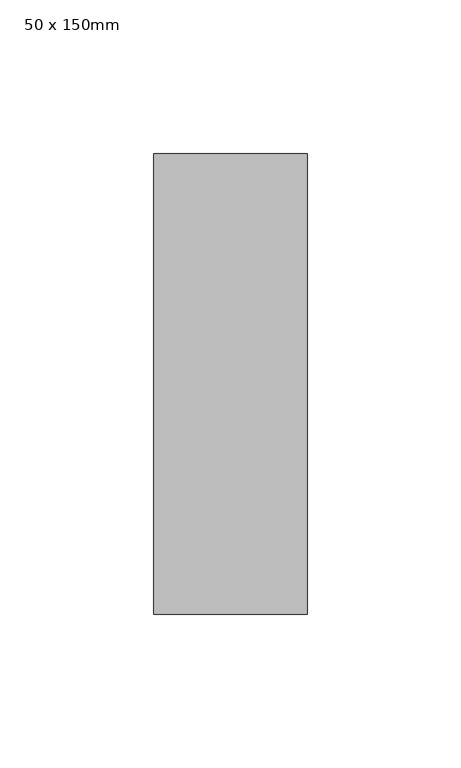
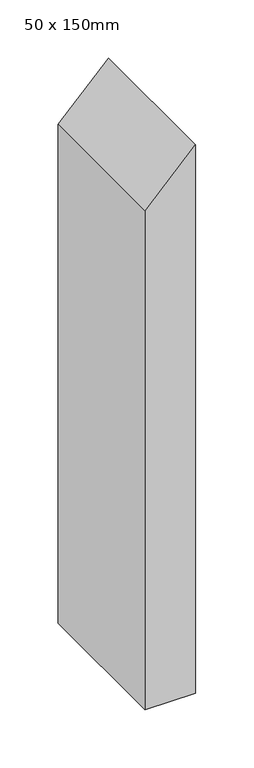
"""IFC4 building model written with IfcOpenShell, lengths in millimetres: member geometry, 50 x 150mm."""

import ifcopenshell
import ifcopenshell.guid

model = None  # the IFC model being written
_history = None  # IfcOwnerHistory: only IFC2X3 demands one
_inside = {}  # id of a spatial element -> (the spatial element, [elements in it])
_under = {}  # id of a project, library or spatial element -> (it, [spatial elements below it])
_declared = {}  # id of a project -> (the project, [libraries it declares])
_typed = {}  # id of a type object -> (the type object, [elements of that type])
_made_of = {}  # id of a material, layer set ... -> (it, [elements and type objects made of it])


def new_model(schema):
    """Start an empty IFC model of exactly this schema.

    Asked for "IFC4X3", IfcOpenShell would pick the latest addendum, in which some entities
    have other attributes; the version numbers below select the first issue.
    IFC2X3 requires an IfcOwnerHistory on every rooted entity: one is made here for all.
    """
    global model, _history
    if schema == "IFC4X3":
        model = ifcopenshell.file(schema_version=(4, 3, 0, 0))
    else:
        model = ifcopenshell.file(schema=schema)
    _inside.clear()
    _under.clear()
    _declared.clear()
    _typed.clear()
    _made_of.clear()
    _history = None
    if model.schema == "IFC2X3":
        org = make("IfcOrganization", Name="unknown")
        user = make(
            "IfcPersonAndOrganization",
            ThePerson=make("IfcPerson", FamilyName="unknown"),
            TheOrganization=org,
        )
        app = make(
            "IfcApplication",
            ApplicationDeveloper=org,
            Version="unknown",
            ApplicationFullName="unknown",
            ApplicationIdentifier="unknown",
        )
        _history = make(
            "IfcOwnerHistory",
            OwningUser=user,
            OwningApplication=app,
            ChangeAction="ADDED",
            CreationDate=0,
        )
    return model


def make(cls, **values):
    """One entity of the class cls with the attributes given. An attribute that is None is left unset."""
    return model.create_entity(
        cls, **{name: value for name, value in values.items() if value is not None}
    )


def rooted(cls, **values):
    """An entity with a GlobalId (a new one), such as an element, a storey or a relation."""
    return make(cls, GlobalId=ifcopenshell.guid.new(), OwnerHistory=_history, **values)


def si_unit(unit_type, name, prefix=None):
    """IfcSIUnit, for example si_unit("LENGTHUNIT", "METRE", prefix="MILLI")."""
    return make("IfcSIUnit", UnitType=unit_type, Prefix=prefix, Name=name)


def assignment(units):
    """IfcUnitAssignment: the units of a project."""
    return None if units is None else make("IfcUnitAssignment", Units=units)


def point(xyz):
    """IfcCartesianPoint."""
    return None if xyz is None else make("IfcCartesianPoint", Coordinates=xyz)


def direction(xyz):
    """IfcDirection."""
    return None if xyz is None else make("IfcDirection", DirectionRatios=xyz)


def frame(location, z_axis=None, x_axis=None):
    """IfcAxis2Placement3D, a coordinate frame: its origin and axes. An axis left out is left unset."""
    return make(
        "IfcAxis2Placement3D",
        Location=point(location),
        Axis=direction(z_axis),
        RefDirection=direction(x_axis),
    )


def origin():
    """The frame at (0, 0, 0) with its axes left unset."""
    return frame((0.0, 0.0, 0.0))


def place(relative_to, where):
    """IfcLocalPlacement: puts the frame where relative to a parent placement (None: the world)."""
    return make(
        "IfcLocalPlacement", PlacementRelTo=relative_to, RelativePlacement=where
    )


def context(
    kind, dimensions, precision=None, world=None, true_north=None, identifier=None
):
    """IfcGeometricRepresentationContext, for example the 3D "Model" context."""
    return make(
        "IfcGeometricRepresentationContext",
        ContextIdentifier=identifier,
        ContextType=kind,
        CoordinateSpaceDimension=dimensions,
        Precision=precision,
        WorldCoordinateSystem=world,
        TrueNorth=true_north,
    )


def project(units=None, contexts=None):
    """IfcProject with its units and contexts."""
    return rooted(
        "IfcProject",
        Name="project",
        RepresentationContexts=contexts,
        UnitsInContext=assignment(units),
    )


def spatial(cls, under=None, at=None, **own):
    """A site, building, storey or space (cls), placed at a placement, below another one or the project."""
    s = rooted(cls, ObjectPlacement=at, **own)
    if under is not None:
        _under.setdefault(under.id(), (under, []))[1].append(s)
    return s


def polyline(points):
    """IfcPolyline through the points."""
    return make("IfcPolyline", Points=[point(p) for p in points])


def outline(outer, holes=None, kind="AREA"):
    """IfcArbitraryClosedProfileDef: a profile drawn as a closed curve; with holes, ...WithVoids."""
    if holes is None:
        return make("IfcArbitraryClosedProfileDef", ProfileType=kind, OuterCurve=outer)
    return make(
        "IfcArbitraryProfileDefWithVoids",
        ProfileType=kind,
        OuterCurve=outer,
        InnerCurves=holes,
    )


def extrude(swept, where, along, depth):
    """IfcExtrudedAreaSolid: the profile swept, set in the frame where, extruded along a direction by depth."""
    return make(
        "IfcExtrudedAreaSolid",
        SweptArea=swept,
        Position=where,
        ExtrudedDirection=direction(along),
        Depth=depth,
    )


def shape(context_of_items, identifier, shape_type, items):
    """IfcShapeRepresentation: the items that make up one representation, for example the "Body"."""
    return make(
        "IfcShapeRepresentation",
        ContextOfItems=context_of_items,
        RepresentationIdentifier=identifier,
        RepresentationType=shape_type,
        Items=items,
    )


def source(mapping_origin, context_of_items, identifier, shape_type, items):
    """IfcRepresentationMap: a shape defined once, which mapped items show again and again."""
    return make(
        "IfcRepresentationMap",
        MappingOrigin=mapping_origin,
        MappedRepresentation=shape(context_of_items, identifier, shape_type, items),
    )


def transform(
    local_origin,
    x_axis=None,
    y_axis=None,
    z_axis=None,
    scale=None,
    scale2=None,
    scale3=None,
    uniform=True,
):
    """IfcCartesianTransformationOperator3D, or its non-uniform kind. x_axis, y_axis, z_axis: its Axis1, 2, 3."""
    if uniform:
        return make(
            "IfcCartesianTransformationOperator3D",
            Axis1=direction(x_axis),
            Axis2=direction(y_axis),
            LocalOrigin=point(local_origin),
            Scale=scale,
            Axis3=direction(z_axis),
        )
    return make(
        "IfcCartesianTransformationOperator3DnonUniform",
        Axis1=direction(x_axis),
        Axis2=direction(y_axis),
        LocalOrigin=point(local_origin),
        Scale=scale,
        Axis3=direction(z_axis),
        Scale2=scale2,
        Scale3=scale3,
    )


def mapped(mapping_source, mapping_target):
    """IfcMappedItem: shows the shape of a source again, moved by a transform."""
    return make(
        "IfcMappedItem", MappingSource=mapping_source, MappingTarget=mapping_target
    )


def made_of(thing, what):
    """Note that an element or type object is made of a material, layer set ...; save() writes the relation."""
    if what is not None:
        _made_of.setdefault(what.id(), (what, []))[1].append(thing)
    return thing


def element(
    cls,
    number,
    at=None,
    inside=None,
    cuts=None,
    type_object=None,
    material=None,
    context=None,
    identifier="Body",
    shape_type=None,
    held_by="IfcProductDefinitionShape",
    body=None,
    shapes=None,
    **own,
):
    """One element of the class cls, such as IfcWall. Its Tag is "e" and its number.

    at: its placement. inside: the storey or other place that contains it. cuts: it is an
    opening in that element (IfcRelVoidsElement). A single representation is given by context,
    identifier, shape_type and body (its items); several are given by shapes. held_by: the class
    of the entity that holds the representations. save() writes the other relations.
    """
    e = rooted(cls, Tag="e%d" % number, ObjectPlacement=at, **own)
    if body is not None:
        shapes = [shape(context, identifier, shape_type, body)]
    if shapes is not None:
        e.Representation = make(held_by, Representations=shapes)
    if inside is not None:
        _inside.setdefault(inside.id(), (inside, []))[1].append(e)
    if cuts is not None:
        rooted(
            "IfcRelVoidsElement", RelatingBuildingElement=cuts, RelatedOpeningElement=e
        )
    if type_object is not None:
        _typed.setdefault(type_object.id(), (type_object, []))[1].append(e)
    return made_of(e, material)


def aggregate(whole, parts):
    """IfcRelAggregates: a whole, such as a stair, and the parts it consists of."""
    return rooted("IfcRelAggregates", RelatingObject=whole, RelatedObjects=parts)


def save(model, path):
    """Write the relations noted so far, then the file.

    IfcRelAggregates (storeys below a building ...), IfcRelContainedInSpatialStructure (elements
    in a storey), IfcRelDefinesByType, IfcRelAssociatesMaterial and IfcRelDeclares: one each for
    every whole, place, type object, material and project.
    """
    for whole, parts in _under.values():
        aggregate(whole, parts)
    for where, things in _inside.values():
        rooted(
            "IfcRelContainedInSpatialStructure",
            RelatedElements=things,
            RelatingStructure=where,
        )
    for kind, things in _typed.values():
        rooted("IfcRelDefinesByType", RelatedObjects=things, RelatingType=kind)
    for what, things in _made_of.values():
        rooted("IfcRelAssociatesMaterial", RelatedObjects=things, RelatingMaterial=what)
    for by, libraries in _declared.values():
        rooted("IfcRelDeclares", RelatingContext=by, RelatedDefinitions=libraries)
    model.write(path)


def member_50_x_150mm_1f57fa55(model_context):
    return source(origin(), model_context, "Body", "SweptSolid", [
        extrude(outline(polyline([(0.0, 0.0), (-52.0287964, -50.0), (-575.2025073, -50.0), (-575.2025073, 0.0), (0.0, 0.0)])), frame((0.0, -75.0, 0.0), z_axis=(0.0, 1.0, 0.0), x_axis=(0.0, 0.0, 1.0)), (0.0, 0.0, 1.0), 150.0),
    ])


if __name__ == "__main__":
    model = new_model("IFC4")
    model_context = context("Model", 3, world=origin())
    ifc_project = project(units=[si_unit("LENGTHUNIT", "METRE", prefix="MILLI")], contexts=[model_context])
    site = spatial("IfcSite", under=ifc_project)
    building = spatial("IfcBuilding", under=site)
    placement = place(None, origin())
    member_50_x_150mm_shape = member_50_x_150mm_1f57fa55(model_context)
    element("IfcMember", 1, ObjectType="50 x 150mm", at=placement, inside=building, context=model_context, shape_type="MappedRepresentation", body=[
        mapped(member_50_x_150mm_shape, transform((0.0, 0.0, 0.0), x_axis=(1.0, 0.0, 0.0), y_axis=(0.0, 1.0, 0.0), z_axis=(0.0, 0.0, 1.0))),
    ])
    save(model, "model.ifc")
